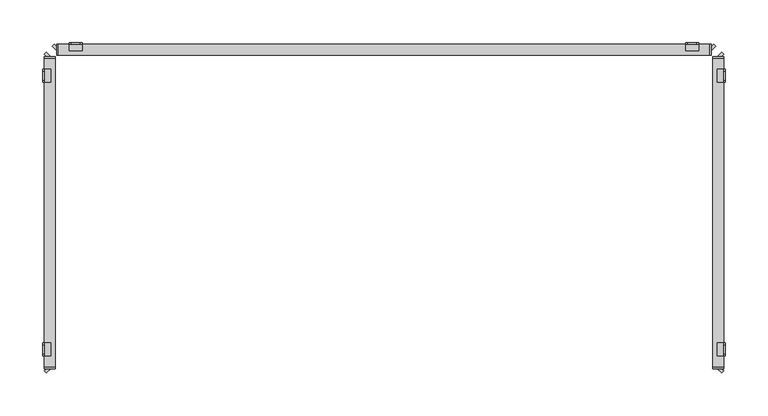
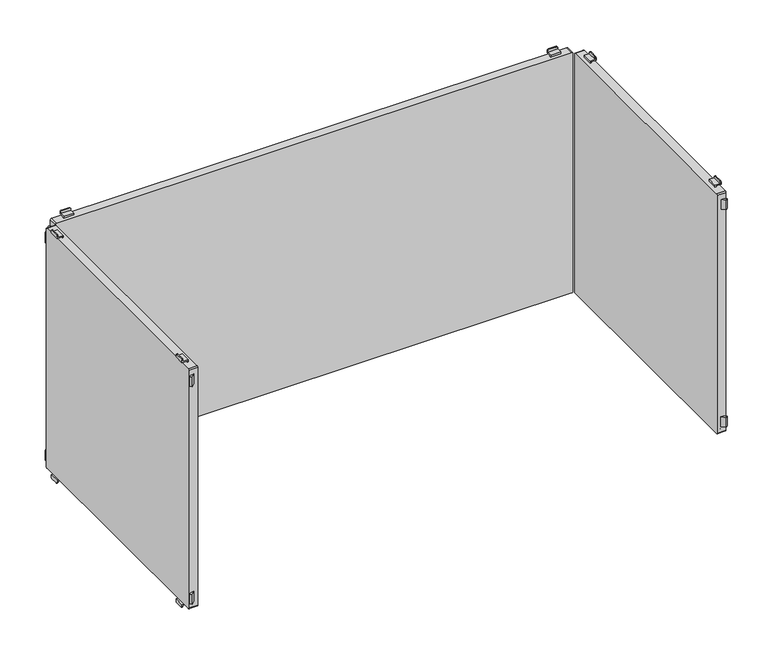
"""IFC4 building model written with IfcOpenShell, lengths in millimetres: furniture geometry."""

from ifc_helpers import new_model, si_unit, point, frame, frame_2d, origin, place, context, project, spatial, polyline, circle_curve, trimmed, segment, composite_curve, outline, extrude, source, transform, mapped, element, save
from ifc_brep_helpers import plane_surface, cylinder_surface, advanced_brep


def furniture_db42e179(model_context):
    return source(origin(), model_context, "Body", "SolidModel", [
        advanced_brep(
        [(352.5, 197.0, 515.5), (354.5, 197.0, 513.5), (365.5, 197.0, 513.5), (367.5, 197.0, 515.5), (367.5, 197.0, 517.0), (352.5, 197.0, 517.0), (352.5, 198.5, 518.5), (367.5, 198.5, 518.5), (367.5, 198.5, 515.5), (365.5, 198.5, 513.5), (354.5, 198.5, 513.5), (352.5, 198.5, 515.5), (352.5, 189.5011497, 517.0), (352.5, 189.5011497, 520.0), (352.5, 191.0011497, 520.0), (352.5, 191.0011497, 518.5), (367.5, 191.0011497, 518.5), (367.5, 191.0011497, 520.0), (367.5, 189.5011497, 520.0), (367.5, 189.5011497, 517.0)],
        [
            (0, 1, circle_curve(frame((354.5, 197.0, 515.5), z_axis=(0.0, -1.0, 0.0), x_axis=(1.0, 0.0, 0.0)), 2.0)),
            (1, 2),
            (2, 3, circle_curve(frame((365.5, 197.0, 515.5), z_axis=(0.0, -1.0, 0.0), x_axis=(1.0, 0.0, 0.0)), 2.0)),
            (3, 4),
            (4, 5),
            (5, 0),
            (6, 7),
            (7, 8),
            (8, 9, circle_curve(frame((365.5, 198.5, 515.5), z_axis=(0.0, 1.0, 0.0), x_axis=(1.0, 0.0, 0.0)), 2.0)),
            (9, 10),
            (10, 11, circle_curve(frame((354.5, 198.5, 515.5), z_axis=(0.0, 1.0, 0.0), x_axis=(1.0, 0.0, 0.0)), 2.0)),
            (11, 6),
            (11, 0),
            (5, 12),
            (12, 13),
            (13, 14),
            (14, 15),
            (15, 6),
            (10, 1),
            (9, 2),
            (8, 3),
            (7, 16),
            (16, 17),
            (17, 18),
            (18, 19),
            (19, 4),
            (15, 16),
            (12, 19),
            (18, 13),
            (17, 14),
        ],
        [
            plane_surface(frame((352.5, 197.0, 517.0), z_axis=(0.0, -1.0, 0.0), x_axis=(0.0, 0.0, -1.0))),
            plane_surface(frame((352.5, 198.5, 517.0), z_axis=(0.0, 1.0, 0.0), x_axis=(0.0, 0.0, 1.0))),
            plane_surface(frame((352.5, 197.0, 518.5), z_axis=(-1.0, 0.0, 0.0), x_axis=(0.0, 1.0, 0.0))),
            cylinder_surface(frame((354.5, 198.5, 515.5), z_axis=(0.0, -1.0, 0.0), x_axis=(1.0, 0.0, 0.0)), 2.0),
            plane_surface(frame((354.5, 197.0, 513.5), z_axis=(0.0, 0.0, -1.0), x_axis=(0.0, 1.0, 0.0))),
            cylinder_surface(frame((365.5, 198.5, 515.5), z_axis=(0.0, -1.0, 0.0), x_axis=(1.0, 0.0, 0.0)), 2.0),
            plane_surface(frame((367.5, 197.0, 515.5), z_axis=(1.0, 0.0, 0.0), x_axis=(0.0, 1.0, 0.0))),
            plane_surface(frame((367.5, 197.0, 518.5), z_axis=(0.0, 0.0, 1.0), x_axis=(0.0, 1.0, 0.0))),
            plane_surface(frame((352.5, 189.5011497, 517.0), z_axis=(0.0, -1.0, 0.0), x_axis=(1.0, 0.0, 0.0))),
            plane_surface(frame((352.5, 189.5011497, 520.0), z_axis=(0.0, 0.0, 1.0), x_axis=(1.0, 0.0, 0.0))),
            plane_surface(frame((352.5, 191.0011497, 520.0), z_axis=(0.0, 1.0, 0.0), x_axis=(1.0, 0.0, 0.0))),
            plane_surface(frame((352.5, 197.0, 517.0), z_axis=(0.0, 0.0, -1.0), x_axis=(1.0, 0.0, 0.0))),
        ],
        [
            (0, [[1, 2, 3, 4, 5, 6]]),
            (1, [[7, 8, 9, 10, 11, 12]]),
            (2, [[-12, 13, -6, 14, 15, 16, 17, 18]]),
            (3, [[-1, -13, -11, 19]]),
            (4, [[-2, -19, -10, 20]]),
            (5, [[-3, -20, -9, 21]]),
            (6, [[-8, 22, 23, 24, 25, 26, -4, -21]]),
            (7, [[-22, -7, -18, 27]]),
            (8, [[-15, 28, -25, 29]]),
            (9, [[-16, -29, -24, 30]]),
            (10, [[-17, -30, -23, -27]]),
            (11, [[-14, -5, -26, -28]]),
        ],
    ),
        advanced_brep(
        [(-367.5, 197.0, 515.5), (-365.5, 197.0, 513.5), (-354.5, 197.0, 513.5), (-352.5, 197.0, 515.5), (-352.5, 197.0, 517.0), (-367.5, 197.0, 517.0), (-352.5, 198.5, 518.5), (-352.5, 198.5, 515.5), (-354.5, 198.5, 513.5), (-365.5, 198.5, 513.5), (-367.5, 198.5, 515.5), (-367.5, 198.5, 518.5), (-367.5, 191.0011497, 518.5), (-352.5, 191.0011497, 518.5), (-367.5, 189.5011497, 517.0), (-367.5, 189.5011497, 520.0), (-367.5, 191.0011497, 520.0), (-352.5, 191.0011497, 520.0), (-352.5, 189.5011497, 520.0), (-352.5, 189.5011497, 517.0)],
        [
            (0, 1, circle_curve(frame((-365.5, 197.0, 515.5), z_axis=(0.0, -1.0, 0.0), x_axis=(1.0, 0.0, 0.0)), 2.0)),
            (1, 2),
            (2, 3, circle_curve(frame((-354.5, 197.0, 515.5), z_axis=(0.0, -1.0, 0.0), x_axis=(1.0, 0.0, 0.0)), 2.0)),
            (3, 4),
            (4, 5),
            (5, 0),
            (6, 7),
            (7, 8, circle_curve(frame((-354.5, 198.5, 515.5), z_axis=(0.0, 1.0, 0.0), x_axis=(1.0, 0.0, 0.0)), 2.0)),
            (8, 9),
            (9, 10, circle_curve(frame((-365.5, 198.5, 515.5), z_axis=(0.0, 1.0, 0.0), x_axis=(1.0, 0.0, 0.0)), 2.0)),
            (10, 11),
            (11, 6),
            (11, 12),
            (12, 13),
            (13, 6),
            (10, 0),
            (5, 14),
            (14, 15),
            (15, 16),
            (16, 12),
            (9, 1),
            (8, 2),
            (7, 3),
            (13, 17),
            (17, 18),
            (18, 19),
            (19, 4),
            (18, 15),
            (14, 19),
            (17, 16),
        ],
        [
            plane_surface(frame((352.5, 197.0, 517.0), z_axis=(0.0, -1.0, 0.0), x_axis=(0.0, 0.0, -1.0))),
            plane_surface(frame((352.5, 198.5, 517.0), z_axis=(0.0, 1.0, 0.0), x_axis=(0.0, 0.0, 1.0))),
            plane_surface(frame((-352.5, 197.0, 518.5), z_axis=(0.0, 0.0, 1.0), x_axis=(0.0, 1.0, 0.0))),
            plane_surface(frame((-367.5, 197.0, 518.5), z_axis=(-1.0, 0.0, 0.0), x_axis=(0.0, 1.0, 0.0))),
            cylinder_surface(frame((-365.5, 200.0, 515.5), z_axis=(0.0, -1.0, 0.0), x_axis=(1.0, 0.0, 0.0)), 2.0),
            plane_surface(frame((-365.5, 197.0, 513.5), z_axis=(0.0, 0.0, -1.0), x_axis=(0.0, 1.0, 0.0))),
            cylinder_surface(frame((-354.5, 200.0, 515.5), z_axis=(0.0, -1.0, 0.0), x_axis=(1.0, 0.0, 0.0)), 2.0),
            plane_surface(frame((-352.5, 197.0, 515.5), z_axis=(1.0, 0.0, 0.0), x_axis=(0.0, 1.0, 0.0))),
            plane_surface(frame((-352.5, 189.5011497, 520.0), z_axis=(0.0, -1.0, 0.0), x_axis=(-1.0, 0.0, 0.0))),
            plane_surface(frame((-352.5, 191.0011497, 520.0), z_axis=(0.0, 0.0, 1.0), x_axis=(-1.0, 0.0, 0.0))),
            plane_surface(frame((-352.5, 191.0011497, 518.5), z_axis=(0.0, 1.0, 0.0), x_axis=(-1.0, 0.0, 0.0))),
            plane_surface(frame((-352.5, 189.5011497, 517.0), z_axis=(0.0, 0.0, -1.0), x_axis=(-1.0, 0.0, 0.0))),
        ],
        [
            (0, [[1, 2, 3, 4, 5, 6]]),
            (1, [[7, 8, 9, 10, 11, 12]]),
            (2, [[-12, 13, 14, 15]]),
            (3, [[-11, 16, -6, 17, 18, 19, 20, -13]]),
            (4, [[-1, -16, -10, 21]]),
            (5, [[-2, -21, -9, 22]]),
            (6, [[-3, -22, -8, 23]]),
            (7, [[-7, -15, 24, 25, 26, 27, -4, -23]]),
            (8, [[-26, 28, -18, 29]]),
            (9, [[-25, 30, -19, -28]]),
            (10, [[-24, -14, -20, -30]]),
            (11, [[-27, -29, -17, -5]]),
        ],
    ),
        advanced_brep(
        [(367.5, 197.0, 899.5), (365.5, 197.0, 901.5), (354.5, 197.0, 901.5), (352.5, 197.0, 899.5), (352.5, 197.0, 898.0), (367.5, 197.0, 898.0), (352.5, 198.5, 896.5), (352.5, 198.5, 899.5), (354.5, 198.5, 901.5), (365.5, 198.5, 901.5), (367.5, 198.5, 899.5), (367.5, 198.5, 896.5), (352.5, 189.5011497, 898.0), (352.5, 191.0011497, 896.5), (352.5, 191.0011497, 895.0), (352.5, 189.5011497, 895.0), (367.5, 189.5011497, 898.0), (367.5, 189.5011497, 895.0), (367.5, 191.0011497, 895.0), (367.5, 191.0011497, 896.5)],
        [
            (0, 1, circle_curve(frame((365.5, 197.0, 899.5), z_axis=(0.0, -1.0, 0.0), x_axis=(1.0, 0.0, 0.0)), 2.0)),
            (1, 2),
            (2, 3, circle_curve(frame((354.5, 197.0, 899.5), z_axis=(0.0, -1.0, 0.0), x_axis=(1.0, 0.0, 0.0)), 2.0)),
            (3, 4),
            (4, 5),
            (5, 0),
            (6, 7),
            (7, 8, circle_curve(frame((354.5, 198.5, 899.5), z_axis=(0.0, 1.0, 0.0), x_axis=(1.0, 0.0, 0.0)), 2.0)),
            (8, 9),
            (9, 10, circle_curve(frame((365.5, 198.5, 899.5), z_axis=(0.0, 1.0, 0.0), x_axis=(1.0, 0.0, 0.0)), 2.0)),
            (10, 11),
            (11, 6),
            (12, 4),
            (3, 7),
            (6, 13),
            (13, 14),
            (14, 15),
            (15, 12),
            (16, 17),
            (17, 18),
            (18, 19),
            (19, 11),
            (10, 0),
            (5, 16),
            (19, 13),
            (9, 1),
            (8, 2),
            (12, 16),
            (18, 14),
            (17, 15),
        ],
        [
            plane_surface(frame((352.5, 197.0, 517.0), z_axis=(0.0, -1.0, 0.0), x_axis=(0.0, 0.0, -1.0))),
            plane_surface(frame((352.5, 198.5, 517.0), z_axis=(0.0, 1.0, 0.0), x_axis=(0.0, 0.0, 1.0))),
            plane_surface(frame((352.5, 197.0, 518.5), z_axis=(-1.0, 0.0, 0.0), x_axis=(0.0, 1.0, 0.0))),
            plane_surface(frame((367.5, 197.0, 515.5), z_axis=(1.0, 0.0, 0.0), x_axis=(0.0, 1.0, 0.0))),
            plane_surface(frame((352.5, 197.0, 896.5), z_axis=(0.0, 0.0, -1.0), x_axis=(0.0, 1.0, 0.0))),
            cylinder_surface(frame((365.5, 200.0, 899.5), z_axis=(0.0, -1.0, 0.0), x_axis=(1.0, 0.0, 0.0)), 2.0),
            plane_surface(frame((365.5, 197.0, 901.5), z_axis=(0.0, 0.0, 1.0), x_axis=(0.0, 1.0, 0.0))),
            cylinder_surface(frame((354.5, 200.0, 899.5), z_axis=(0.0, -1.0, 0.0), x_axis=(1.0, 0.0, 0.0)), 2.0),
            plane_surface(frame((352.5, 189.5011497, 898.0), z_axis=(0.0, 0.0, 1.0), x_axis=(1.0, 0.0, 0.0))),
            plane_surface(frame((352.5, 191.0011497, 896.5), z_axis=(0.0, 1.0, 0.0), x_axis=(1.0, 0.0, 0.0))),
            plane_surface(frame((352.5, 191.0011497, 895.0), z_axis=(0.0, 0.0, -1.0), x_axis=(1.0, 0.0, 0.0))),
            plane_surface(frame((352.5, 189.5011497, 895.0), z_axis=(0.0, -1.0, 0.0), x_axis=(1.0, 0.0, 0.0))),
        ],
        [
            (0, [[1, 2, 3, 4, 5, 6]]),
            (1, [[7, 8, 9, 10, 11, 12]]),
            (2, [[13, -4, 14, -7, 15, 16, 17, 18]]),
            (3, [[19, 20, 21, 22, -11, 23, -6, 24]]),
            (4, [[-15, -12, -22, 25]]),
            (5, [[-1, -23, -10, 26]]),
            (6, [[-2, -26, -9, 27]]),
            (7, [[-3, -27, -8, -14]]),
            (8, [[-13, 28, -24, -5]]),
            (9, [[-16, -25, -21, 29]]),
            (10, [[-17, -29, -20, 30]]),
            (11, [[-18, -30, -19, -28]]),
        ],
    ),
        advanced_brep(
        [(-352.5, 197.0, 899.5), (-354.5, 197.0, 901.5), (-365.5, 197.0, 901.5), (-367.5, 197.0, 899.5), (-367.5, 197.0, 898.0), (-352.5, 197.0, 898.0), (-352.5, 198.5, 896.5), (-367.5, 198.5, 896.5), (-367.5, 198.5, 899.5), (-365.5, 198.5, 901.5), (-354.5, 198.5, 901.5), (-352.5, 198.5, 899.5), (-367.5, 191.0011497, 896.5), (-367.5, 191.0011497, 895.0), (-367.5, 189.5011497, 895.0), (-367.5, 189.5011497, 898.0), (-352.5, 189.5011497, 898.0), (-352.5, 189.5011497, 895.0), (-352.5, 191.0011497, 895.0), (-352.5, 191.0011497, 896.5)],
        [
            (0, 1, circle_curve(frame((-354.5, 197.0, 899.5), z_axis=(0.0, -1.0, 0.0), x_axis=(1.0, 0.0, 0.0)), 2.0)),
            (1, 2),
            (2, 3, circle_curve(frame((-365.5, 197.0, 899.5), z_axis=(0.0, -1.0, 0.0), x_axis=(1.0, 0.0, 0.0)), 2.0)),
            (3, 4),
            (4, 5),
            (5, 0),
            (6, 7),
            (7, 8),
            (8, 9, circle_curve(frame((-365.5, 198.5, 899.5), z_axis=(0.0, 1.0, 0.0), x_axis=(1.0, 0.0, 0.0)), 2.0)),
            (9, 10),
            (10, 11, circle_curve(frame((-354.5, 198.5, 899.5), z_axis=(0.0, 1.0, 0.0), x_axis=(1.0, 0.0, 0.0)), 2.0)),
            (11, 6),
            (7, 12),
            (12, 13),
            (13, 14),
            (14, 15),
            (15, 4),
            (3, 8),
            (11, 0),
            (5, 16),
            (16, 17),
            (17, 18),
            (18, 19),
            (19, 6),
            (10, 1),
            (9, 2),
            (19, 12),
            (15, 16),
            (18, 13),
            (17, 14),
        ],
        [
            plane_surface(frame((352.5, 197.0, 517.0), z_axis=(0.0, -1.0, 0.0), x_axis=(0.0, 0.0, -1.0))),
            plane_surface(frame((352.5, 198.5, 517.0), z_axis=(0.0, 1.0, 0.0), x_axis=(0.0, 0.0, 1.0))),
            plane_surface(frame((-367.5, 197.0, 518.5), z_axis=(-1.0, 0.0, 0.0), x_axis=(0.0, 1.0, 0.0))),
            plane_surface(frame((-352.5, 197.0, 515.5), z_axis=(1.0, 0.0, 0.0), x_axis=(0.0, 1.0, 0.0))),
            cylinder_surface(frame((-354.5, 200.0, 899.5), z_axis=(0.0, -1.0, 0.0), x_axis=(1.0, 0.0, 0.0)), 2.0),
            plane_surface(frame((-354.5, 197.0, 901.5), z_axis=(0.0, 0.0, 1.0), x_axis=(0.0, 1.0, 0.0))),
            cylinder_surface(frame((-365.5, 200.0, 899.5), z_axis=(0.0, -1.0, 0.0), x_axis=(1.0, 0.0, 0.0)), 2.0),
            plane_surface(frame((-367.5, 197.0, 896.5), z_axis=(0.0, 0.0, -1.0), x_axis=(0.0, 1.0, 0.0))),
            plane_surface(frame((-352.5, 197.0, 898.0), z_axis=(0.0, 0.0, 1.0), x_axis=(-1.0, 0.0, 0.0))),
            plane_surface(frame((-352.5, 191.0011497, 895.0), z_axis=(0.0, 1.0, 0.0), x_axis=(-1.0, 0.0, 0.0))),
            plane_surface(frame((-352.5, 189.5011497, 895.0), z_axis=(0.0, 0.0, -1.0), x_axis=(-1.0, 0.0, 0.0))),
            plane_surface(frame((-352.5, 189.5011497, 898.0), z_axis=(0.0, -1.0, 0.0), x_axis=(-1.0, 0.0, 0.0))),
        ],
        [
            (0, [[1, 2, 3, 4, 5, 6]]),
            (1, [[7, 8, 9, 10, 11, 12]]),
            (2, [[-8, 13, 14, 15, 16, 17, -4, 18]]),
            (3, [[-12, 19, -6, 20, 21, 22, 23, 24]]),
            (4, [[-1, -19, -11, 25]]),
            (5, [[-2, -25, -10, 26]]),
            (6, [[-3, -26, -9, -18]]),
            (7, [[-7, -24, 27, -13]]),
            (8, [[-20, -5, -17, 28]]),
            (9, [[-23, 29, -14, -27]]),
            (10, [[-22, 30, -15, -29]]),
            (11, [[-21, -28, -16, -30]]),
        ],
    ),
        extrude(outline(polyline([(-385.3223305, 197.0), (-382.5, 194.1776695), (-382.5, 189.5011497), (-387.6605904, 194.6617401), (-385.3223305, 197.0)])), frame((0.0, 0.0, 530.0), z_axis=(0.0, 0.0, 1.0), x_axis=(1.0, 0.0, 0.0)), (0.0, 0.0, 1.0), 15.0),
        extrude(outline(polyline([(385.3223305, 197.0), (387.6605904, 194.6617401), (382.5, 189.5011497), (382.5, 194.1776695), (385.3223305, 197.0)])), frame((0.0, 0.0, 530.0), z_axis=(0.0, 0.0, 1.0), x_axis=(1.0, 0.0, 0.0)), (0.0, 0.0, 1.0), 15.0),
        extrude(outline(composite_curve([segment(trimmed(circle_curve(frame_2d((893.2, 380.7)), 1.8), [point((893.2, 382.5))], [point((895.0, 380.7))], False, "CARTESIAN"), True, "CONTINUOUS"), segment(polyline([(895.0, 380.7), (895.0, -380.7)]), True, "CONTINUOUS"), segment(trimmed(circle_curve(frame_2d((893.2, -380.7)), 1.8), [point((895.0, -380.7))], [point((893.2, -382.5))], False, "CARTESIAN"), True, "CONTINUOUS"), segment(polyline([(893.2, -382.5), (521.8, -382.5)]), True, "CONTINUOUS"), segment(trimmed(circle_curve(frame_2d((521.8, -380.7)), 1.8), [point((521.8, -382.5))], [point((520.0, -380.7))], False, "CARTESIAN"), True, "CONTINUOUS"), segment(polyline([(520.0, -380.7), (520.0, 380.7)]), True, "CONTINUOUS"), segment(trimmed(circle_curve(frame_2d((521.8, 380.7)), 1.8), [point((520.0, 380.7))], [point((521.8, 382.5))], False, "CARTESIAN"), True, "CONTINUOUS"), segment(polyline([(521.8, 382.5), (893.2, 382.5)]), True, "CONTINUOUS")], self_intersect=False)), frame((0.0, 183.999795, 0.0), z_axis=(0.0, 1.0, 0.0), x_axis=(0.0, 0.0, 1.0)), (0.0, 0.0, 1.0), 13.000205),
        extrude(outline(polyline([(-385.3223305, 197.0), (-382.5, 194.1776695), (-382.5, 189.5011497), (-387.6605904, 194.6617401), (-385.3223305, 197.0)])), frame((0.0, 0.0, 870.0), z_axis=(0.0, 0.0, 1.0), x_axis=(1.0, 0.0, 0.0)), (0.0, 0.0, 1.0), 15.0),
        extrude(outline(polyline([(385.3223305, 197.0), (387.6605904, 194.6617401), (382.5, 189.5011497), (382.5, 194.1776695), (385.3223305, 197.0)])), frame((0.0, 0.0, 870.0), z_axis=(0.0, 0.0, 1.0), x_axis=(1.0, 0.0, 0.0)), (0.0, 0.0, 1.0), 15.0),
        advanced_brep(
        [(397.0, 152.5, 515.5), (397.0, 152.5, 517.0), (397.0, 167.5, 517.0), (397.0, 167.5, 515.5), (397.0, 165.5, 513.5), (397.0, 154.5, 513.5), (398.5, 152.5, 518.5), (398.5, 152.5, 515.5), (398.5, 154.5, 513.5), (398.5, 165.5, 513.5), (398.5, 167.5, 515.5), (398.5, 167.5, 518.5), (391.0011497, 152.5, 518.5), (391.0011497, 152.5, 520.0), (389.5011497, 152.5, 520.0), (389.5011497, 152.5, 517.0), (389.5011497, 167.5, 517.0), (389.5011497, 167.5, 520.0), (391.0011497, 167.5, 520.0), (391.0011497, 167.5, 518.5)],
        [
            (0, 1),
            (1, 2),
            (2, 3),
            (3, 4, circle_curve(frame((397.0, 165.5, 515.5), z_axis=(-1.0, 0.0, 0.0), x_axis=(0.0, 1.0, 0.0)), 2.0)),
            (4, 5),
            (5, 0, circle_curve(frame((397.0, 154.5, 515.5), z_axis=(-1.0, 0.0, 0.0), x_axis=(0.0, 1.0, 0.0)), 2.0)),
            (6, 7),
            (7, 8, circle_curve(frame((398.5, 154.5, 515.5), z_axis=(1.0, 0.0, 0.0), x_axis=(0.0, 1.0, 0.0)), 2.0)),
            (8, 9),
            (9, 10, circle_curve(frame((398.5, 165.5, 515.5), z_axis=(1.0, 0.0, 0.0), x_axis=(0.0, 1.0, 0.0)), 2.0)),
            (10, 11),
            (11, 6),
            (6, 12),
            (12, 13),
            (13, 14),
            (14, 15),
            (15, 1),
            (0, 7),
            (5, 8),
            (4, 9),
            (3, 10),
            (2, 16),
            (16, 17),
            (17, 18),
            (18, 19),
            (19, 11),
            (19, 12),
            (14, 17),
            (16, 15),
            (13, 18),
        ],
        [
            plane_surface(frame((397.0, 152.5, 517.0), z_axis=(-1.0, 0.0, 0.0), x_axis=(0.0, 0.0, -1.0))),
            plane_surface(frame((398.5, 152.5, 517.0), z_axis=(1.0, 0.0, 0.0), x_axis=(0.0, 0.0, 1.0))),
            plane_surface(frame((397.0, 152.5, 518.5), z_axis=(0.0, -1.0, 0.0), x_axis=(1.0, 0.0, 0.0))),
            cylinder_surface(frame((398.5, 154.5, 515.5), z_axis=(-1.0, 0.0, 0.0), x_axis=(0.0, 1.0, 0.0)), 2.0),
            plane_surface(frame((397.0, 154.5, 513.5), z_axis=(0.0, 0.0, -1.0), x_axis=(1.0, 0.0, 0.0))),
            cylinder_surface(frame((398.5, 165.5, 515.5), z_axis=(-1.0, 0.0, 0.0), x_axis=(0.0, 1.0, 0.0)), 2.0),
            plane_surface(frame((397.0, 167.5, 515.5), z_axis=(0.0, 1.0, 0.0), x_axis=(1.0, 0.0, 0.0))),
            plane_surface(frame((397.0, 167.5, 518.5), z_axis=(0.0, 0.0, 1.0), x_axis=(1.0, 0.0, 0.0))),
            plane_surface(frame((389.5011497, 152.5, 517.0), z_axis=(-1.0, 0.0, 0.0), x_axis=(0.0, 1.0, 0.0))),
            plane_surface(frame((389.5011497, 152.5, 520.0), z_axis=(0.0, 0.0, 1.0), x_axis=(0.0, 1.0, 0.0))),
            plane_surface(frame((391.0011497, 152.5, 520.0), z_axis=(1.0, 0.0, 0.0), x_axis=(0.0, 1.0, 0.0))),
            plane_surface(frame((397.0, 152.5, 517.0), z_axis=(0.0, 0.0, -1.0), x_axis=(0.0, 1.0, 0.0))),
        ],
        [
            (0, [[1, 2, 3, 4, 5, 6]]),
            (1, [[7, 8, 9, 10, 11, 12]]),
            (2, [[13, 14, 15, 16, 17, -1, 18, -7]]),
            (3, [[19, -8, -18, -6]]),
            (4, [[20, -9, -19, -5]]),
            (5, [[21, -10, -20, -4]]),
            (6, [[-21, -3, 22, 23, 24, 25, 26, -11]]),
            (7, [[27, -13, -12, -26]]),
            (8, [[28, -23, 29, -16]]),
            (9, [[30, -24, -28, -15]]),
            (10, [[-27, -25, -30, -14]]),
            (11, [[-29, -22, -2, -17]]),
        ],
    ),
        advanced_brep(
        [(397.0, -167.5, 515.5), (397.0, -167.5, 517.0), (397.0, -152.5, 517.0), (397.0, -152.5, 515.5), (397.0, -154.5, 513.5), (397.0, -165.5, 513.5), (398.5, -152.5, 518.5), (398.5, -167.5, 518.5), (398.5, -167.5, 515.5), (398.5, -165.5, 513.5), (398.5, -154.5, 513.5), (398.5, -152.5, 515.5), (391.0011497, -152.5, 518.5), (391.0011497, -167.5, 518.5), (391.0011497, -167.5, 520.0), (389.5011497, -167.5, 520.0), (389.5011497, -167.5, 517.0), (389.5011497, -152.5, 517.0), (389.5011497, -152.5, 520.0), (391.0011497, -152.5, 520.0)],
        [
            (0, 1),
            (1, 2),
            (2, 3),
            (3, 4, circle_curve(frame((397.0, -154.5, 515.5), z_axis=(-1.0, 0.0, 0.0), x_axis=(0.0, 1.0, 0.0)), 2.0)),
            (4, 5),
            (5, 0, circle_curve(frame((397.0, -165.5, 515.5), z_axis=(-1.0, 0.0, 0.0), x_axis=(0.0, 1.0, 0.0)), 2.0)),
            (6, 7),
            (7, 8),
            (8, 9, circle_curve(frame((398.5, -165.5, 515.5), z_axis=(1.0, 0.0, 0.0), x_axis=(0.0, 1.0, 0.0)), 2.0)),
            (9, 10),
            (10, 11, circle_curve(frame((398.5, -154.5, 515.5), z_axis=(1.0, 0.0, 0.0), x_axis=(0.0, 1.0, 0.0)), 2.0)),
            (11, 6),
            (6, 12),
            (12, 13),
            (13, 7),
            (13, 14),
            (14, 15),
            (15, 16),
            (16, 1),
            (0, 8),
            (5, 9),
            (4, 10),
            (3, 11),
            (2, 17),
            (17, 18),
            (18, 19),
            (19, 12),
            (17, 16),
            (15, 18),
            (14, 19),
        ],
        [
            plane_surface(frame((397.0, 152.5, 517.0), z_axis=(-1.0, 0.0, 0.0), x_axis=(0.0, 0.0, -1.0))),
            plane_surface(frame((398.5, 152.5, 517.0), z_axis=(1.0, 0.0, 0.0), x_axis=(0.0, 0.0, 1.0))),
            plane_surface(frame((397.0, -152.5, 518.5), z_axis=(0.0, 0.0, 1.0), x_axis=(1.0, 0.0, 0.0))),
            plane_surface(frame((397.0, -167.5, 518.5), z_axis=(0.0, -1.0, 0.0), x_axis=(1.0, 0.0, 0.0))),
            cylinder_surface(frame((400.0, -165.5, 515.5), z_axis=(-1.0, 0.0, 0.0), x_axis=(0.0, 1.0, 0.0)), 2.0),
            plane_surface(frame((397.0, -165.5, 513.5), z_axis=(0.0, 0.0, -1.0), x_axis=(1.0, 0.0, 0.0))),
            cylinder_surface(frame((400.0, -154.5, 515.5), z_axis=(-1.0, 0.0, 0.0), x_axis=(0.0, 1.0, 0.0)), 2.0),
            plane_surface(frame((397.0, -152.5, 515.5), z_axis=(0.0, 1.0, 0.0), x_axis=(1.0, 0.0, 0.0))),
            plane_surface(frame((389.5011497, -152.5, 520.0), z_axis=(-1.0, 0.0, 0.0), x_axis=(0.0, -1.0, 0.0))),
            plane_surface(frame((391.0011497, -152.5, 520.0), z_axis=(0.0, 0.0, 1.0), x_axis=(0.0, -1.0, 0.0))),
            plane_surface(frame((391.0011497, -152.5, 518.5), z_axis=(1.0, 0.0, 0.0), x_axis=(0.0, -1.0, 0.0))),
            plane_surface(frame((389.5011497, -152.5, 517.0), z_axis=(0.0, 0.0, -1.0), x_axis=(0.0, -1.0, 0.0))),
        ],
        [
            (0, [[1, 2, 3, 4, 5, 6]]),
            (1, [[7, 8, 9, 10, 11, 12]]),
            (2, [[13, 14, 15, -7]]),
            (3, [[-15, 16, 17, 18, 19, -1, 20, -8]]),
            (4, [[21, -9, -20, -6]]),
            (5, [[22, -10, -21, -5]]),
            (6, [[23, -11, -22, -4]]),
            (7, [[-23, -3, 24, 25, 26, 27, -13, -12]]),
            (8, [[28, -18, 29, -25]]),
            (9, [[-29, -17, 30, -26]]),
            (10, [[-30, -16, -14, -27]]),
            (11, [[-2, -19, -28, -24]]),
        ],
    ),
        advanced_brep(
        [(397.0, 167.5, 899.5), (397.0, 167.5, 898.0), (397.0, 152.5, 898.0), (397.0, 152.5, 899.5), (397.0, 154.5, 901.5), (397.0, 165.5, 901.5), (398.5, 152.5, 896.5), (398.5, 167.5, 896.5), (398.5, 167.5, 899.5), (398.5, 165.5, 901.5), (398.5, 154.5, 901.5), (398.5, 152.5, 899.5), (389.5011497, 152.5, 898.0), (389.5011497, 152.5, 895.0), (391.0011497, 152.5, 895.0), (391.0011497, 152.5, 896.5), (389.5011497, 167.5, 898.0), (391.0011497, 167.5, 896.5), (391.0011497, 167.5, 895.0), (389.5011497, 167.5, 895.0)],
        [
            (0, 1),
            (1, 2),
            (2, 3),
            (3, 4, circle_curve(frame((397.0, 154.5, 899.5), z_axis=(-1.0, 0.0, 0.0), x_axis=(0.0, 1.0, 0.0)), 2.0)),
            (4, 5),
            (5, 0, circle_curve(frame((397.0, 165.5, 899.5), z_axis=(-1.0, 0.0, 0.0), x_axis=(0.0, 1.0, 0.0)), 2.0)),
            (6, 7),
            (7, 8),
            (8, 9, circle_curve(frame((398.5, 165.5, 899.5), z_axis=(1.0, 0.0, 0.0), x_axis=(0.0, 1.0, 0.0)), 2.0)),
            (9, 10),
            (10, 11, circle_curve(frame((398.5, 154.5, 899.5), z_axis=(1.0, 0.0, 0.0), x_axis=(0.0, 1.0, 0.0)), 2.0)),
            (11, 6),
            (12, 13),
            (13, 14),
            (14, 15),
            (15, 6),
            (11, 3),
            (2, 12),
            (16, 1),
            (0, 8),
            (7, 17),
            (17, 18),
            (18, 19),
            (19, 16),
            (15, 17),
            (5, 9),
            (4, 10),
            (16, 12),
            (14, 18),
            (13, 19),
        ],
        [
            plane_surface(frame((397.0, 152.5, 517.0), z_axis=(-1.0, 0.0, 0.0), x_axis=(0.0, 0.0, -1.0))),
            plane_surface(frame((398.5, 152.5, 517.0), z_axis=(1.0, 0.0, 0.0), x_axis=(0.0, 0.0, 1.0))),
            plane_surface(frame((397.0, 152.5, 518.5), z_axis=(0.0, -1.0, 0.0), x_axis=(1.0, 0.0, 0.0))),
            plane_surface(frame((397.0, 167.5, 515.5), z_axis=(0.0, 1.0, 0.0), x_axis=(1.0, 0.0, 0.0))),
            plane_surface(frame((397.0, 152.5, 896.5), z_axis=(0.0, 0.0, -1.0), x_axis=(1.0, 0.0, 0.0))),
            cylinder_surface(frame((400.0, 165.5, 899.5), z_axis=(-1.0, 0.0, 0.0), x_axis=(0.0, 1.0, 0.0)), 2.0),
            plane_surface(frame((397.0, 165.5, 901.5), z_axis=(0.0, 0.0, 1.0), x_axis=(1.0, 0.0, 0.0))),
            cylinder_surface(frame((400.0, 154.5, 899.5), z_axis=(-1.0, 0.0, 0.0), x_axis=(0.0, 1.0, 0.0)), 2.0),
            plane_surface(frame((389.5011497, 152.5, 898.0), z_axis=(0.0, 0.0, 1.0), x_axis=(0.0, 1.0, 0.0))),
            plane_surface(frame((391.0011497, 152.5, 896.5), z_axis=(1.0, 0.0, 0.0), x_axis=(0.0, 1.0, 0.0))),
            plane_surface(frame((391.0011497, 152.5, 895.0), z_axis=(0.0, 0.0, -1.0), x_axis=(0.0, 1.0, 0.0))),
            plane_surface(frame((389.5011497, 152.5, 895.0), z_axis=(-1.0, 0.0, 0.0), x_axis=(0.0, 1.0, 0.0))),
        ],
        [
            (0, [[1, 2, 3, 4, 5, 6]]),
            (1, [[7, 8, 9, 10, 11, 12]]),
            (2, [[13, 14, 15, 16, -12, 17, -3, 18]]),
            (3, [[19, -1, 20, -8, 21, 22, 23, 24]]),
            (4, [[25, -21, -7, -16]]),
            (5, [[26, -9, -20, -6]]),
            (6, [[27, -10, -26, -5]]),
            (7, [[-17, -11, -27, -4]]),
            (8, [[-2, -19, 28, -18]]),
            (9, [[29, -22, -25, -15]]),
            (10, [[30, -23, -29, -14]]),
            (11, [[-28, -24, -30, -13]]),
        ],
    ),
        advanced_brep(
        [(397.0, -152.5, 899.5), (397.0, -152.5, 898.0), (397.0, -167.5, 898.0), (397.0, -167.5, 899.5), (397.0, -165.5, 901.5), (397.0, -154.5, 901.5), (398.5, -152.5, 896.5), (398.5, -152.5, 899.5), (398.5, -154.5, 901.5), (398.5, -165.5, 901.5), (398.5, -167.5, 899.5), (398.5, -167.5, 896.5), (389.5011497, -167.5, 898.0), (389.5011497, -167.5, 895.0), (391.0011497, -167.5, 895.0), (391.0011497, -167.5, 896.5), (391.0011497, -152.5, 896.5), (391.0011497, -152.5, 895.0), (389.5011497, -152.5, 895.0), (389.5011497, -152.5, 898.0)],
        [
            (0, 1),
            (1, 2),
            (2, 3),
            (3, 4, circle_curve(frame((397.0, -165.5, 899.5), z_axis=(-1.0, 0.0, 0.0), x_axis=(0.0, 1.0, 0.0)), 2.0)),
            (4, 5),
            (5, 0, circle_curve(frame((397.0, -154.5, 899.5), z_axis=(-1.0, 0.0, 0.0), x_axis=(0.0, 1.0, 0.0)), 2.0)),
            (6, 7),
            (7, 8, circle_curve(frame((398.5, -154.5, 899.5), z_axis=(1.0, 0.0, 0.0), x_axis=(0.0, 1.0, 0.0)), 2.0)),
            (8, 9),
            (9, 10, circle_curve(frame((398.5, -165.5, 899.5), z_axis=(1.0, 0.0, 0.0), x_axis=(0.0, 1.0, 0.0)), 2.0)),
            (10, 11),
            (11, 6),
            (10, 3),
            (2, 12),
            (12, 13),
            (13, 14),
            (14, 15),
            (15, 11),
            (6, 16),
            (16, 17),
            (17, 18),
            (18, 19),
            (19, 1),
            (0, 7),
            (5, 8),
            (4, 9),
            (15, 16),
            (19, 12),
            (14, 17),
            (13, 18),
        ],
        [
            plane_surface(frame((397.0, 152.5, 517.0), z_axis=(-1.0, 0.0, 0.0), x_axis=(0.0, 0.0, -1.0))),
            plane_surface(frame((398.5, 152.5, 517.0), z_axis=(1.0, 0.0, 0.0), x_axis=(0.0, 0.0, 1.0))),
            plane_surface(frame((397.0, -167.5, 518.5), z_axis=(0.0, -1.0, 0.0), x_axis=(1.0, 0.0, 0.0))),
            plane_surface(frame((397.0, -152.5, 515.5), z_axis=(0.0, 1.0, 0.0), x_axis=(1.0, 0.0, 0.0))),
            cylinder_surface(frame((400.0, -154.5, 899.5), z_axis=(-1.0, 0.0, 0.0), x_axis=(0.0, 1.0, 0.0)), 2.0),
            plane_surface(frame((397.0, -154.5, 901.5), z_axis=(0.0, 0.0, 1.0), x_axis=(1.0, 0.0, 0.0))),
            cylinder_surface(frame((400.0, -165.5, 899.5), z_axis=(-1.0, 0.0, 0.0), x_axis=(0.0, 1.0, 0.0)), 2.0),
            plane_surface(frame((397.0, -167.5, 896.5), z_axis=(0.0, 0.0, -1.0), x_axis=(1.0, 0.0, 0.0))),
            plane_surface(frame((397.0, -152.5, 898.0), z_axis=(0.0, 0.0, 1.0), x_axis=(0.0, -1.0, 0.0))),
            plane_surface(frame((391.0011497, -152.5, 895.0), z_axis=(1.0, 0.0, 0.0), x_axis=(0.0, -1.0, 0.0))),
            plane_surface(frame((389.5011497, -152.5, 895.0), z_axis=(0.0, 0.0, -1.0), x_axis=(0.0, -1.0, 0.0))),
            plane_surface(frame((389.5011497, -152.5, 898.0), z_axis=(-1.0, 0.0, 0.0), x_axis=(0.0, -1.0, 0.0))),
        ],
        [
            (0, [[1, 2, 3, 4, 5, 6]]),
            (1, [[7, 8, 9, 10, 11, 12]]),
            (2, [[13, -3, 14, 15, 16, 17, 18, -11]]),
            (3, [[19, 20, 21, 22, 23, -1, 24, -7]]),
            (4, [[25, -8, -24, -6]]),
            (5, [[26, -9, -25, -5]]),
            (6, [[-13, -10, -26, -4]]),
            (7, [[-18, 27, -19, -12]]),
            (8, [[28, -14, -2, -23]]),
            (9, [[-27, -17, 29, -20]]),
            (10, [[-29, -16, 30, -21]]),
            (11, [[-30, -15, -28, -22]]),
        ],
    ),
        extrude(outline(polyline([(397.0, 185.3223305), (394.1776695, 182.5), (389.5011497, 182.5), (394.6617401, 187.6605904), (397.0, 185.3223305)])), frame((0.0, 0.0, 530.0), z_axis=(0.0, 0.0, 1.0), x_axis=(1.0, 0.0, 0.0)), (0.0, 0.0, 1.0), 15.0),
        extrude(outline(polyline([(397.0, -185.3223305), (394.6617401, -187.6605904), (389.5011497, -182.5), (394.1776695, -182.5), (397.0, -185.3223305)])), frame((0.0, 0.0, 530.0), z_axis=(0.0, 0.0, 1.0), x_axis=(1.0, 0.0, 0.0)), (0.0, 0.0, 1.0), 15.0),
        extrude(outline(composite_curve([segment(polyline([(182.5, 893.2), (182.5, 521.8)]), True, "CONTINUOUS"), segment(trimmed(circle_curve(frame_2d((180.7, 521.8)), 1.8), [point((182.5, 521.8))], [point((180.7, 520.0))], False, "CARTESIAN"), True, "CONTINUOUS"), segment(polyline([(180.7, 520.0), (-180.7, 520.0)]), True, "CONTINUOUS"), segment(trimmed(circle_curve(frame_2d((-180.7, 521.8)), 1.8), [point((-180.7, 520.0))], [point((-182.5, 521.8))], False, "CARTESIAN"), True, "CONTINUOUS"), segment(polyline([(-182.5, 521.8), (-182.5, 893.2)]), True, "CONTINUOUS"), segment(trimmed(circle_curve(frame_2d((-180.7, 893.2)), 1.8), [point((-182.5, 893.2))], [point((-180.7, 895.0))], False, "CARTESIAN"), True, "CONTINUOUS"), segment(polyline([(-180.7, 895.0), (180.7, 895.0)]), True, "CONTINUOUS"), segment(trimmed(circle_curve(frame_2d((180.7, 893.2)), 1.8), [point((180.7, 895.0))], [point((182.5, 893.2))], False, "CARTESIAN"), True, "CONTINUOUS")], self_intersect=False)), frame((383.999795, 0.0, 0.0), z_axis=(1.0, 0.0, 0.0), x_axis=(0.0, 1.0, 0.0)), (0.0, 0.0, 1.0), 13.000205),
        extrude(outline(polyline([(397.0, 185.3223305), (394.1776695, 182.5), (389.5011497, 182.5), (394.6617401, 187.6605904), (397.0, 185.3223305)])), frame((0.0, 0.0, 870.0), z_axis=(0.0, 0.0, 1.0), x_axis=(1.0, 0.0, 0.0)), (0.0, 0.0, 1.0), 15.0),
        extrude(outline(polyline([(397.0, -185.3223305), (394.6617401, -187.6605904), (389.5011497, -182.5), (394.1776695, -182.5), (397.0, -185.3223305)])), frame((0.0, 0.0, 870.0), z_axis=(0.0, 0.0, 1.0), x_axis=(1.0, 0.0, 0.0)), (0.0, 0.0, 1.0), 15.0),
        advanced_brep(
        [(-397.0, 152.5, 515.5), (-397.0, 154.5, 513.5), (-397.0, 165.5, 513.5), (-397.0, 167.5, 515.5), (-397.0, 167.5, 517.0), (-397.0, 152.5, 517.0), (-398.5, 152.5, 518.5), (-398.5, 167.5, 518.5), (-398.5, 167.5, 515.5), (-398.5, 165.5, 513.5), (-398.5, 154.5, 513.5), (-398.5, 152.5, 515.5), (-389.5011497, 152.5, 517.0), (-389.5011497, 152.5, 520.0), (-391.0011497, 152.5, 520.0), (-391.0011497, 152.5, 518.5), (-391.0011497, 167.5, 518.5), (-391.0011497, 167.5, 520.0), (-389.5011497, 167.5, 520.0), (-389.5011497, 167.5, 517.0)],
        [
            (0, 1, circle_curve(frame((-397.0, 154.5, 515.5), z_axis=(1.0, 0.0, 0.0), x_axis=(0.0, 1.0, 0.0)), 2.0)),
            (1, 2),
            (2, 3, circle_curve(frame((-397.0, 165.5, 515.5), z_axis=(1.0, 0.0, 0.0), x_axis=(0.0, 1.0, 0.0)), 2.0)),
            (3, 4),
            (4, 5),
            (5, 0),
            (6, 7),
            (7, 8),
            (8, 9, circle_curve(frame((-398.5, 165.5, 515.5), z_axis=(-1.0, 0.0, 0.0), x_axis=(0.0, 1.0, 0.0)), 2.0)),
            (9, 10),
            (10, 11, circle_curve(frame((-398.5, 154.5, 515.5), z_axis=(-1.0, 0.0, 0.0), x_axis=(0.0, 1.0, 0.0)), 2.0)),
            (11, 6),
            (11, 0),
            (5, 12),
            (12, 13),
            (13, 14),
            (14, 15),
            (15, 6),
            (10, 1),
            (9, 2),
            (8, 3),
            (7, 16),
            (16, 17),
            (17, 18),
            (18, 19),
            (19, 4),
            (15, 16),
            (12, 19),
            (18, 13),
            (17, 14),
        ],
        [
            plane_surface(frame((-397.0, 152.5, 517.0), z_axis=(1.0, 0.0, 0.0), x_axis=(0.0, 0.0, -1.0))),
            plane_surface(frame((-398.5, 152.5, 517.0), z_axis=(-1.0, 0.0, 0.0), x_axis=(0.0, 0.0, 1.0))),
            plane_surface(frame((-397.0, 152.5, 518.5), z_axis=(0.0, -1.0, 0.0), x_axis=(-1.0, 0.0, 0.0))),
            cylinder_surface(frame((-398.5, 154.5, 515.5), z_axis=(1.0, 0.0, 0.0), x_axis=(0.0, 1.0, 0.0)), 2.0),
            plane_surface(frame((-397.0, 154.5, 513.5), z_axis=(0.0, 0.0, -1.0), x_axis=(-1.0, 0.0, 0.0))),
            cylinder_surface(frame((-398.5, 165.5, 515.5), z_axis=(1.0, 0.0, 0.0), x_axis=(0.0, 1.0, 0.0)), 2.0),
            plane_surface(frame((-397.0, 167.5, 515.5), z_axis=(0.0, 1.0, 0.0), x_axis=(-1.0, 0.0, 0.0))),
            plane_surface(frame((-397.0, 167.5, 518.5), z_axis=(0.0, 0.0, 1.0), x_axis=(-1.0, 0.0, 0.0))),
            plane_surface(frame((-389.5011497, 152.5, 517.0), z_axis=(1.0, 0.0, 0.0), x_axis=(0.0, 1.0, 0.0))),
            plane_surface(frame((-389.5011497, 152.5, 520.0), z_axis=(0.0, 0.0, 1.0), x_axis=(0.0, 1.0, 0.0))),
            plane_surface(frame((-391.0011497, 152.5, 520.0), z_axis=(-1.0, 0.0, 0.0), x_axis=(0.0, 1.0, 0.0))),
            plane_surface(frame((-397.0, 152.5, 517.0), z_axis=(0.0, 0.0, -1.0), x_axis=(0.0, 1.0, 0.0))),
        ],
        [
            (0, [[1, 2, 3, 4, 5, 6]]),
            (1, [[7, 8, 9, 10, 11, 12]]),
            (2, [[-12, 13, -6, 14, 15, 16, 17, 18]]),
            (3, [[-1, -13, -11, 19]]),
            (4, [[-2, -19, -10, 20]]),
            (5, [[-3, -20, -9, 21]]),
            (6, [[-8, 22, 23, 24, 25, 26, -4, -21]]),
            (7, [[-22, -7, -18, 27]]),
            (8, [[-15, 28, -25, 29]]),
            (9, [[-16, -29, -24, 30]]),
            (10, [[-17, -30, -23, -27]]),
            (11, [[-14, -5, -26, -28]]),
        ],
    ),
        advanced_brep(
        [(-397.0, -167.5, 515.5), (-397.0, -165.5, 513.5), (-397.0, -154.5, 513.5), (-397.0, -152.5, 515.5), (-397.0, -152.5, 517.0), (-397.0, -167.5, 517.0), (-398.5, -152.5, 518.5), (-398.5, -152.5, 515.5), (-398.5, -154.5, 513.5), (-398.5, -165.5, 513.5), (-398.5, -167.5, 515.5), (-398.5, -167.5, 518.5), (-391.0011497, -167.5, 518.5), (-391.0011497, -152.5, 518.5), (-389.5011497, -167.5, 517.0), (-389.5011497, -167.5, 520.0), (-391.0011497, -167.5, 520.0), (-391.0011497, -152.5, 520.0), (-389.5011497, -152.5, 520.0), (-389.5011497, -152.5, 517.0)],
        [
            (0, 1, circle_curve(frame((-397.0, -165.5, 515.5), z_axis=(1.0, 0.0, 0.0), x_axis=(0.0, 1.0, 0.0)), 2.0)),
            (1, 2),
            (2, 3, circle_curve(frame((-397.0, -154.5, 515.5), z_axis=(1.0, 0.0, 0.0), x_axis=(0.0, 1.0, 0.0)), 2.0)),
            (3, 4),
            (4, 5),
            (5, 0),
            (6, 7),
            (7, 8, circle_curve(frame((-398.5, -154.5, 515.5), z_axis=(-1.0, 0.0, 0.0), x_axis=(0.0, 1.0, 0.0)), 2.0)),
            (8, 9),
            (9, 10, circle_curve(frame((-398.5, -165.5, 515.5), z_axis=(-1.0, 0.0, 0.0), x_axis=(0.0, 1.0, 0.0)), 2.0)),
            (10, 11),
            (11, 6),
            (11, 12),
            (12, 13),
            (13, 6),
            (10, 0),
            (5, 14),
            (14, 15),
            (15, 16),
            (16, 12),
            (9, 1),
            (8, 2),
            (7, 3),
            (13, 17),
            (17, 18),
            (18, 19),
            (19, 4),
            (18, 15),
            (14, 19),
            (17, 16),
        ],
        [
            plane_surface(frame((-397.0, 152.5, 517.0), z_axis=(1.0, 0.0, 0.0), x_axis=(0.0, 0.0, -1.0))),
            plane_surface(frame((-398.5, 152.5, 517.0), z_axis=(-1.0, 0.0, 0.0), x_axis=(0.0, 0.0, 1.0))),
            plane_surface(frame((-397.0, -152.5, 518.5), z_axis=(0.0, 0.0, 1.0), x_axis=(-1.0, 0.0, 0.0))),
            plane_surface(frame((-397.0, -167.5, 518.5), z_axis=(0.0, -1.0, 0.0), x_axis=(-1.0, 0.0, 0.0))),
            cylinder_surface(frame((-400.0, -165.5, 515.5), z_axis=(1.0, 0.0, 0.0), x_axis=(0.0, 1.0, 0.0)), 2.0),
            plane_surface(frame((-397.0, -165.5, 513.5), z_axis=(0.0, 0.0, -1.0), x_axis=(-1.0, 0.0, 0.0))),
            cylinder_surface(frame((-400.0, -154.5, 515.5), z_axis=(1.0, 0.0, 0.0), x_axis=(0.0, 1.0, 0.0)), 2.0),
            plane_surface(frame((-397.0, -152.5, 515.5), z_axis=(0.0, 1.0, 0.0), x_axis=(-1.0, 0.0, 0.0))),
            plane_surface(frame((-389.5011497, -152.5, 520.0), z_axis=(1.0, 0.0, 0.0), x_axis=(0.0, -1.0, 0.0))),
            plane_surface(frame((-391.0011497, -152.5, 520.0), z_axis=(0.0, 0.0, 1.0), x_axis=(0.0, -1.0, 0.0))),
            plane_surface(frame((-391.0011497, -152.5, 518.5), z_axis=(-1.0, 0.0, 0.0), x_axis=(0.0, -1.0, 0.0))),
            plane_surface(frame((-389.5011497, -152.5, 517.0), z_axis=(0.0, 0.0, -1.0), x_axis=(0.0, -1.0, 0.0))),
        ],
        [
            (0, [[1, 2, 3, 4, 5, 6]]),
            (1, [[7, 8, 9, 10, 11, 12]]),
            (2, [[-12, 13, 14, 15]]),
            (3, [[-11, 16, -6, 17, 18, 19, 20, -13]]),
            (4, [[-1, -16, -10, 21]]),
            (5, [[-2, -21, -9, 22]]),
            (6, [[-3, -22, -8, 23]]),
            (7, [[-7, -15, 24, 25, 26, 27, -4, -23]]),
            (8, [[-26, 28, -18, 29]]),
            (9, [[-25, 30, -19, -28]]),
            (10, [[-24, -14, -20, -30]]),
            (11, [[-27, -29, -17, -5]]),
        ],
    ),
        advanced_brep(
        [(-397.0, 167.5, 899.5), (-397.0, 165.5, 901.5), (-397.0, 154.5, 901.5), (-397.0, 152.5, 899.5), (-397.0, 152.5, 898.0), (-397.0, 167.5, 898.0), (-398.5, 152.5, 896.5), (-398.5, 152.5, 899.5), (-398.5, 154.5, 901.5), (-398.5, 165.5, 901.5), (-398.5, 167.5, 899.5), (-398.5, 167.5, 896.5), (-389.5011497, 152.5, 898.0), (-391.0011497, 152.5, 896.5), (-391.0011497, 152.5, 895.0), (-389.5011497, 152.5, 895.0), (-389.5011497, 167.5, 898.0), (-389.5011497, 167.5, 895.0), (-391.0011497, 167.5, 895.0), (-391.0011497, 167.5, 896.5)],
        [
            (0, 1, circle_curve(frame((-397.0, 165.5, 899.5), z_axis=(1.0, 0.0, 0.0), x_axis=(0.0, 1.0, 0.0)), 2.0)),
            (1, 2),
            (2, 3, circle_curve(frame((-397.0, 154.5, 899.5), z_axis=(1.0, 0.0, 0.0), x_axis=(0.0, 1.0, 0.0)), 2.0)),
            (3, 4),
            (4, 5),
            (5, 0),
            (6, 7),
            (7, 8, circle_curve(frame((-398.5, 154.5, 899.5), z_axis=(-1.0, 0.0, 0.0), x_axis=(0.0, 1.0, 0.0)), 2.0)),
            (8, 9),
            (9, 10, circle_curve(frame((-398.5, 165.5, 899.5), z_axis=(-1.0, 0.0, 0.0), x_axis=(0.0, 1.0, 0.0)), 2.0)),
            (10, 11),
            (11, 6),
            (12, 4),
            (3, 7),
            (6, 13),
            (13, 14),
            (14, 15),
            (15, 12),
            (16, 17),
            (17, 18),
            (18, 19),
            (19, 11),
            (10, 0),
            (5, 16),
            (19, 13),
            (9, 1),
            (8, 2),
            (12, 16),
            (18, 14),
            (17, 15),
        ],
        [
            plane_surface(frame((-397.0, 152.5, 517.0), z_axis=(1.0, 0.0, 0.0), x_axis=(0.0, 0.0, -1.0))),
            plane_surface(frame((-398.5, 152.5, 517.0), z_axis=(-1.0, 0.0, 0.0), x_axis=(0.0, 0.0, 1.0))),
            plane_surface(frame((-397.0, 152.5, 518.5), z_axis=(0.0, -1.0, 0.0), x_axis=(-1.0, 0.0, 0.0))),
            plane_surface(frame((-397.0, 167.5, 515.5), z_axis=(0.0, 1.0, 0.0), x_axis=(-1.0, 0.0, 0.0))),
            plane_surface(frame((-397.0, 152.5, 896.5), z_axis=(0.0, 0.0, -1.0), x_axis=(-1.0, 0.0, 0.0))),
            cylinder_surface(frame((-400.0, 165.5, 899.5), z_axis=(1.0, 0.0, 0.0), x_axis=(0.0, 1.0, 0.0)), 2.0),
            plane_surface(frame((-397.0, 165.5, 901.5), z_axis=(0.0, 0.0, 1.0), x_axis=(-1.0, 0.0, 0.0))),
            cylinder_surface(frame((-400.0, 154.5, 899.5), z_axis=(1.0, 0.0, 0.0), x_axis=(0.0, 1.0, 0.0)), 2.0),
            plane_surface(frame((-389.5011497, 152.5, 898.0), z_axis=(0.0, 0.0, 1.0), x_axis=(0.0, 1.0, 0.0))),
            plane_surface(frame((-391.0011497, 152.5, 896.5), z_axis=(-1.0, 0.0, 0.0), x_axis=(0.0, 1.0, 0.0))),
            plane_surface(frame((-391.0011497, 152.5, 895.0), z_axis=(0.0, 0.0, -1.0), x_axis=(0.0, 1.0, 0.0))),
            plane_surface(frame((-389.5011497, 152.5, 895.0), z_axis=(1.0, 0.0, 0.0), x_axis=(0.0, 1.0, 0.0))),
        ],
        [
            (0, [[1, 2, 3, 4, 5, 6]]),
            (1, [[7, 8, 9, 10, 11, 12]]),
            (2, [[13, -4, 14, -7, 15, 16, 17, 18]]),
            (3, [[19, 20, 21, 22, -11, 23, -6, 24]]),
            (4, [[-15, -12, -22, 25]]),
            (5, [[-1, -23, -10, 26]]),
            (6, [[-2, -26, -9, 27]]),
            (7, [[-3, -27, -8, -14]]),
            (8, [[-13, 28, -24, -5]]),
            (9, [[-16, -25, -21, 29]]),
            (10, [[-17, -29, -20, 30]]),
            (11, [[-18, -30, -19, -28]]),
        ],
    ),
        advanced_brep(
        [(-397.0, -152.5, 899.5), (-397.0, -154.5, 901.5), (-397.0, -165.5, 901.5), (-397.0, -167.5, 899.5), (-397.0, -167.5, 898.0), (-397.0, -152.5, 898.0), (-398.5, -152.5, 896.5), (-398.5, -167.5, 896.5), (-398.5, -167.5, 899.5), (-398.5, -165.5, 901.5), (-398.5, -154.5, 901.5), (-398.5, -152.5, 899.5), (-391.0011497, -167.5, 896.5), (-391.0011497, -167.5, 895.0), (-389.5011497, -167.5, 895.0), (-389.5011497, -167.5, 898.0), (-389.5011497, -152.5, 898.0), (-389.5011497, -152.5, 895.0), (-391.0011497, -152.5, 895.0), (-391.0011497, -152.5, 896.5)],
        [
            (0, 1, circle_curve(frame((-397.0, -154.5, 899.5), z_axis=(1.0, 0.0, 0.0), x_axis=(0.0, 1.0, 0.0)), 2.0)),
            (1, 2),
            (2, 3, circle_curve(frame((-397.0, -165.5, 899.5), z_axis=(1.0, 0.0, 0.0), x_axis=(0.0, 1.0, 0.0)), 2.0)),
            (3, 4),
            (4, 5),
            (5, 0),
            (6, 7),
            (7, 8),
            (8, 9, circle_curve(frame((-398.5, -165.5, 899.5), z_axis=(-1.0, 0.0, 0.0), x_axis=(0.0, 1.0, 0.0)), 2.0)),
            (9, 10),
            (10, 11, circle_curve(frame((-398.5, -154.5, 899.5), z_axis=(-1.0, 0.0, 0.0), x_axis=(0.0, 1.0, 0.0)), 2.0)),
            (11, 6),
            (7, 12),
            (12, 13),
            (13, 14),
            (14, 15),
            (15, 4),
            (3, 8),
            (11, 0),
            (5, 16),
            (16, 17),
            (17, 18),
            (18, 19),
            (19, 6),
            (10, 1),
            (9, 2),
            (19, 12),
            (15, 16),
            (18, 13),
            (17, 14),
        ],
        [
            plane_surface(frame((-397.0, 152.5, 517.0), z_axis=(1.0, 0.0, 0.0), x_axis=(0.0, 0.0, -1.0))),
            plane_surface(frame((-398.5, 152.5, 517.0), z_axis=(-1.0, 0.0, 0.0), x_axis=(0.0, 0.0, 1.0))),
            plane_surface(frame((-397.0, -167.5, 518.5), z_axis=(0.0, -1.0, 0.0), x_axis=(-1.0, 0.0, 0.0))),
            plane_surface(frame((-397.0, -152.5, 515.5), z_axis=(0.0, 1.0, 0.0), x_axis=(-1.0, 0.0, 0.0))),
            cylinder_surface(frame((-400.0, -154.5, 899.5), z_axis=(1.0, 0.0, 0.0), x_axis=(0.0, 1.0, 0.0)), 2.0),
            plane_surface(frame((-397.0, -154.5, 901.5), z_axis=(0.0, 0.0, 1.0), x_axis=(-1.0, 0.0, 0.0))),
            cylinder_surface(frame((-400.0, -165.5, 899.5), z_axis=(1.0, 0.0, 0.0), x_axis=(0.0, 1.0, 0.0)), 2.0),
            plane_surface(frame((-397.0, -167.5, 896.5), z_axis=(0.0, 0.0, -1.0), x_axis=(-1.0, 0.0, 0.0))),
            plane_surface(frame((-397.0, -152.5, 898.0), z_axis=(0.0, 0.0, 1.0), x_axis=(0.0, -1.0, 0.0))),
            plane_surface(frame((-391.0011497, -152.5, 895.0), z_axis=(-1.0, 0.0, 0.0), x_axis=(0.0, -1.0, 0.0))),
            plane_surface(frame((-389.5011497, -152.5, 895.0), z_axis=(0.0, 0.0, -1.0), x_axis=(0.0, -1.0, 0.0))),
            plane_surface(frame((-389.5011497, -152.5, 898.0), z_axis=(1.0, 0.0, 0.0), x_axis=(0.0, -1.0, 0.0))),
        ],
        [
            (0, [[1, 2, 3, 4, 5, 6]]),
            (1, [[7, 8, 9, 10, 11, 12]]),
            (2, [[-8, 13, 14, 15, 16, 17, -4, 18]]),
            (3, [[-12, 19, -6, 20, 21, 22, 23, 24]]),
            (4, [[-1, -19, -11, 25]]),
            (5, [[-2, -25, -10, 26]]),
            (6, [[-3, -26, -9, -18]]),
            (7, [[-7, -24, 27, -13]]),
            (8, [[-20, -5, -17, 28]]),
            (9, [[-23, 29, -14, -27]]),
            (10, [[-22, 30, -15, -29]]),
            (11, [[-21, -28, -16, -30]]),
        ],
    ),
        extrude(outline(polyline([(-397.0, -185.3223305), (-394.1776695, -182.5), (-389.5011497, -182.5), (-394.6617401, -187.6605904), (-397.0, -185.3223305)])), frame((0.0, 0.0, 530.0), z_axis=(0.0, 0.0, 1.0), x_axis=(1.0, 0.0, 0.0)), (0.0, 0.0, 1.0), 15.0),
        extrude(outline(polyline([(-397.0, 185.3223305), (-394.6617401, 187.6605904), (-389.5011497, 182.5), (-394.1776695, 182.5), (-397.0, 185.3223305)])), frame((0.0, 0.0, 530.0), z_axis=(0.0, 0.0, 1.0), x_axis=(1.0, 0.0, 0.0)), (0.0, 0.0, 1.0), 15.0),
        extrude(outline(composite_curve([segment(polyline([(182.5, 893.2), (182.5, 521.8)]), True, "CONTINUOUS"), segment(trimmed(circle_curve(frame_2d((180.7, 521.8)), 1.8), [point((182.5, 521.8))], [point((180.7, 520.0))], False, "CARTESIAN"), True, "CONTINUOUS"), segment(polyline([(180.7, 520.0), (-180.7, 520.0)]), True, "CONTINUOUS"), segment(trimmed(circle_curve(frame_2d((-180.7, 521.8)), 1.8), [point((-180.7, 520.0))], [point((-182.5, 521.8))], False, "CARTESIAN"), True, "CONTINUOUS"), segment(polyline([(-182.5, 521.8), (-182.5, 893.2)]), True, "CONTINUOUS"), segment(trimmed(circle_curve(frame_2d((-180.7, 893.2)), 1.8), [point((-182.5, 893.2))], [point((-180.7, 895.0))], False, "CARTESIAN"), True, "CONTINUOUS"), segment(polyline([(-180.7, 895.0), (180.7, 895.0)]), True, "CONTINUOUS"), segment(trimmed(circle_curve(frame_2d((180.7, 893.2)), 1.8), [point((180.7, 895.0))], [point((182.5, 893.2))], False, "CARTESIAN"), True, "CONTINUOUS")], self_intersect=False)), frame((-397.0, 0.0, 0.0), z_axis=(1.0, 0.0, 0.0), x_axis=(0.0, 1.0, 0.0)), (0.0, 0.0, 1.0), 13.000205),
        extrude(outline(polyline([(-397.0, -185.3223305), (-394.1776695, -182.5), (-389.5011497, -182.5), (-394.6617401, -187.6605904), (-397.0, -185.3223305)])), frame((0.0, 0.0, 870.0), z_axis=(0.0, 0.0, 1.0), x_axis=(1.0, 0.0, 0.0)), (0.0, 0.0, 1.0), 15.0),
        extrude(outline(polyline([(-397.0, 185.3223305), (-394.6617401, 187.6605904), (-389.5011497, 182.5), (-394.1776695, 182.5), (-397.0, 185.3223305)])), frame((0.0, 0.0, 870.0), z_axis=(0.0, 0.0, 1.0), x_axis=(1.0, 0.0, 0.0)), (0.0, 0.0, 1.0), 15.0),
    ])


if __name__ == "__main__":
    model = new_model("IFC4")
    model_context = context("Model", 3, world=origin())
    ifc_project = project(units=[si_unit("LENGTHUNIT", "METRE", prefix="MILLI")], contexts=[model_context])
    site = spatial("IfcSite", under=ifc_project)
    building = spatial("IfcBuilding", under=site)
    placement = place(None, origin())
    furniture_shape = furniture_db42e179(model_context)
    element("IfcFurniture", 1, at=placement, inside=building, context=model_context, shape_type="MappedRepresentation", body=[
        mapped(furniture_shape, transform((0.0, 0.0, 0.0), x_axis=(1.0, 0.0, 0.0), y_axis=(0.0, 1.0, 0.0), z_axis=(0.0, 0.0, 1.0))),
    ])
    save(model, "model.ifc")
